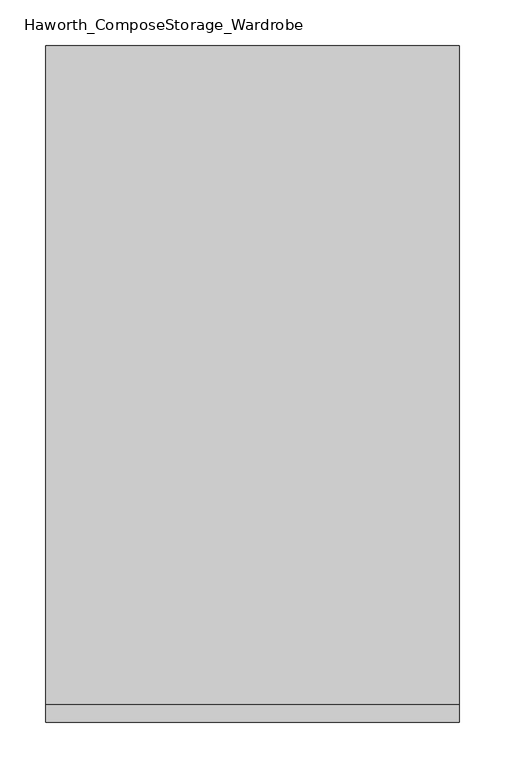
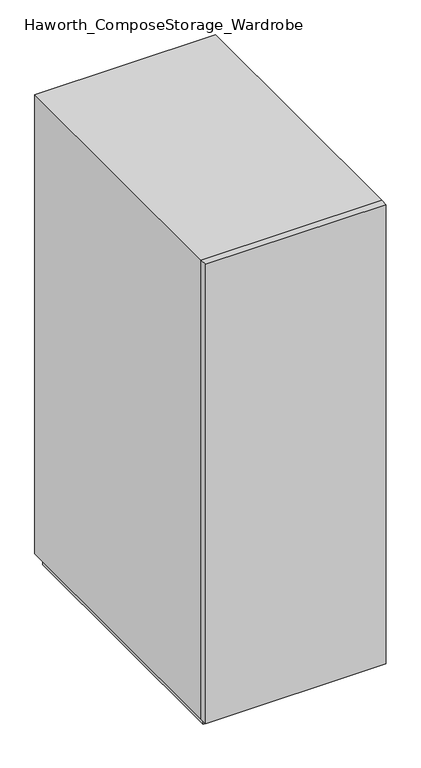
"""IFC4 building model written with IfcOpenShell, lengths in millimetres: furniture geometry, Haworth_ComposeStorage_Wardrobe."""

from ifc_helpers import new_model, si_unit, frame, origin, origin_with_axes, place, context, project, spatial, polyline, outline, extrude, faceted_brep, source, transform, mapped, element, save


def haworth_composestorage_wardrobe_a3644ced(model_context):
    return source(origin(), model_context, "Body", "SolidModel", [
        extrude(outline(polyline([(227.0263906, -381.0), (-226.9986094, -381.0), (-226.9986094, -361.95), (227.0263906, -361.95), (227.0263906, -381.0)])), frame((0.0, 0.0, 25.4), z_axis=(0.0, 0.0, 1.0), x_axis=(1.0, 0.0, 0.0)), (0.0, 0.0, 1.0), 1219.2),
        faceted_brep([(-226.9986094, -361.95, 25.4), (227.0263906, -361.95, 25.4), (227.0263906, -361.95, 1244.6), (-226.9986094, -361.95, 1244.6), (-207.9486094, -361.95, 44.45), (-207.9486094, -361.95, 1225.55), (207.9486094, -361.95, 1225.55), (207.9486094, -361.95, 44.45), (-226.9986094, 361.95, 25.4), (-226.9986094, 361.95, 1244.6), (227.0263906, 361.95, 1244.6), (227.0263906, 361.95, 25.4), (-207.9486094, 342.9, 44.45), (-207.9486094, 342.9, 1225.55), (207.9486094, 342.9, 1225.55), (207.9486094, 342.9, 44.45)], [[[0, 1, 2, 3], [4, 5, 6, 7]], [[8, 9, 10, 11]], [[1, 0, 8, 11]], [[2, 1, 11, 10]], [[3, 2, 10, 9]], [[0, 3, 9, 8]], [[5, 4, 12, 13]], [[6, 5, 13, 14]], [[7, 6, 14, 15]], [[4, 7, 15, 12]], [[13, 12, 15, 14]]]),
        extrude(outline(polyline([(214.3263906, -349.25), (-214.2986094, -349.25), (-214.2986094, 349.25), (214.3263906, 349.25), (214.3263906, -349.25)])), origin_with_axes(), (0.0, 0.0, 1.0), 25.4),
    ])


if __name__ == "__main__":
    model = new_model("IFC4")
    model_context = context("Model", 3, world=origin())
    ifc_project = project(units=[si_unit("LENGTHUNIT", "METRE", prefix="MILLI")], contexts=[model_context])
    site = spatial("IfcSite", under=ifc_project)
    building = spatial("IfcBuilding", under=site)
    placement = place(None, origin())
    haworth_composestorage_wardrobe_shape = haworth_composestorage_wardrobe_a3644ced(model_context)
    element("IfcFurniture", 1, ObjectType="Haworth_ComposeStorage_Wardrobe", at=placement, inside=building, context=model_context, shape_type="MappedRepresentation", body=[
        mapped(haworth_composestorage_wardrobe_shape, transform((0.0, 0.0, 0.0), x_axis=(1.0, 0.0, 0.0), y_axis=(0.0, 1.0, 0.0), z_axis=(0.0, 0.0, 1.0))),
    ])
    save(model, "model.ifc")
